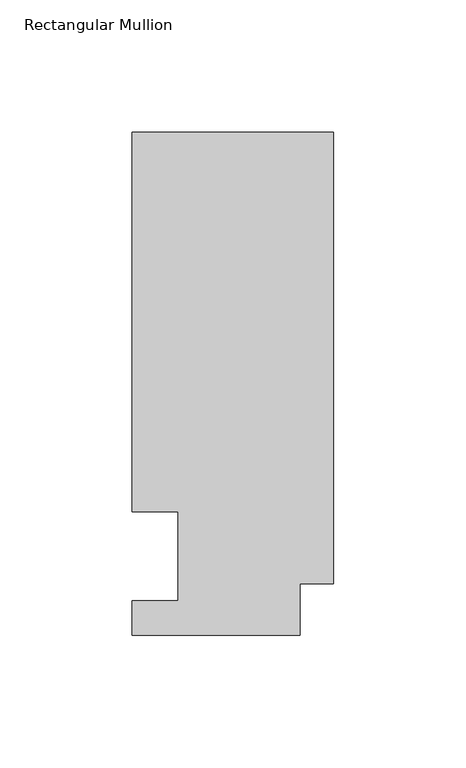
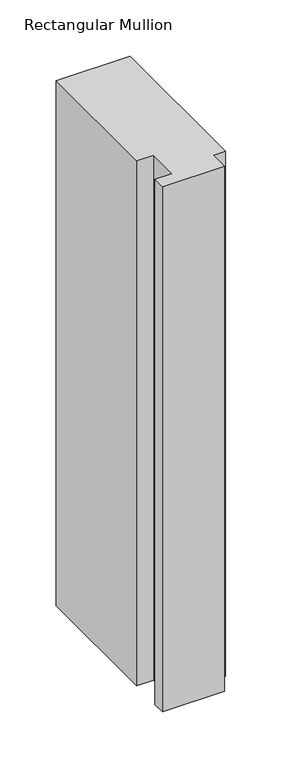
"""IFC4 building model written with IfcOpenShell, lengths in millimetres: member geometry, Rectangular Mullion."""

from ifc_helpers import new_model, si_unit, frame, origin, place, context, project, spatial, polyline, outline, extrude, source, transform, mapped, element, save


def rectangular_mullion_b0a867a4(model_context):
    return source(origin(), model_context, "Body", "SweptSolid", [
        extrude(outline(polyline([(-76.2000001, 190.2801312), (0.0, 190.2801312), (0.0, 19.5667312), (-12.7, 19.5667312), (-12.7, 0.041758), (-76.2, 0.041758), (-76.2, 13.224358), (-58.7375002, 13.224358), (-58.7375002, 46.7447302), (-76.2000001, 46.7447302), (-76.2000001, 190.2801312)])), frame((0.0, 0.0, -571.3023047), z_axis=(0.0, 0.0, 1.0), x_axis=(1.0, 0.0, 0.0)), (0.0, 0.0, 1.0), 571.3023047),
    ])


if __name__ == "__main__":
    model = new_model("IFC4")
    model_context = context("Model", 3, world=origin())
    ifc_project = project(units=[si_unit("LENGTHUNIT", "METRE", prefix="MILLI")], contexts=[model_context])
    site = spatial("IfcSite", under=ifc_project)
    building = spatial("IfcBuilding", under=site)
    placement = place(None, origin())
    rectangular_mullion_shape = rectangular_mullion_b0a867a4(model_context)
    element("IfcMember", 1, ObjectType="Rectangular Mullion", at=placement, inside=building, context=model_context, shape_type="MappedRepresentation", body=[
        mapped(rectangular_mullion_shape, transform((0.0, 0.0, 0.0), x_axis=(1.0, 0.0, 0.0), y_axis=(0.0, 1.0, 0.0), z_axis=(0.0, 0.0, 1.0))),
    ])
    save(model, "model.ifc")
